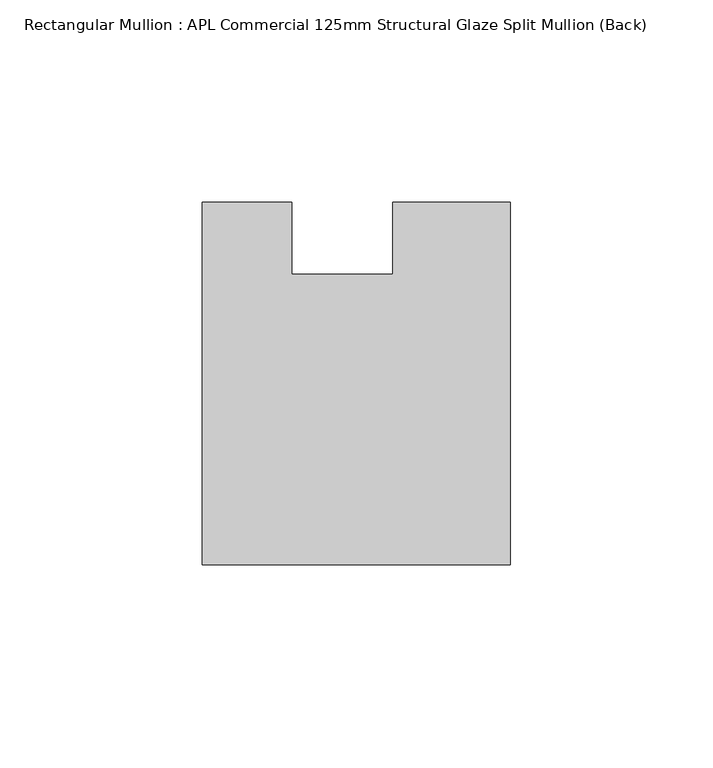
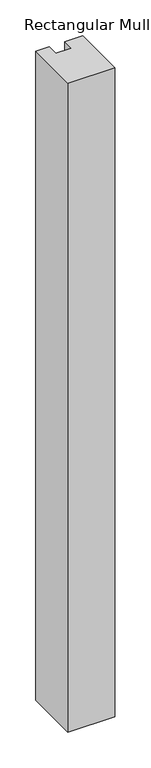
"""IFC4 building model written with IfcOpenShell, lengths in millimetres: member geometry, Rectangular Mullion : APL Commercial 125mm Structural Glaze Split Mullion (Back)."""

from ifc_helpers import new_model, si_unit, frame, origin, place, context, project, spatial, polyline, outline, extrude, source, transform, mapped, element, save


def rectangular_mullion_apl_commercial_125mm_structural_glaze_c721ee30(model_context):
    return source(origin(), model_context, "Body", "SweptSolid", [
        extrude(outline(polyline([(37.9999914, -104.4960123), (-37.9999896, -104.4960123), (-37.9999896, -14.9960123), (-16.0, -14.9960123), (-16.0, -32.7960123), (9.0, -32.7960123), (9.0, -14.9960123), (37.9999914, -14.9960123), (37.9999914, -104.4960123)])), frame((0.0, 0.0, -1107.4975005), z_axis=(0.0, 0.0, 1.0), x_axis=(1.0, 0.0, 0.0)), (0.0, 0.0, 1.0), 1107.4975005),
    ])


if __name__ == "__main__":
    model = new_model("IFC4")
    model_context = context("Model", 3, world=origin())
    ifc_project = project(units=[si_unit("LENGTHUNIT", "METRE", prefix="MILLI")], contexts=[model_context])
    site = spatial("IfcSite", under=ifc_project)
    building = spatial("IfcBuilding", under=site)
    placement = place(None, origin())
    rectangular_mullion_apl_commercial_125mm_structural_glaze_shape = rectangular_mullion_apl_commercial_125mm_structural_glaze_c721ee30(model_context)
    element("IfcMember", 1, ObjectType="Rectangular Mullion : APL Commercial 125mm Structural Glaze Split Mullion (Back)", at=placement, inside=building, context=model_context, shape_type="MappedRepresentation", body=[
        mapped(rectangular_mullion_apl_commercial_125mm_structural_glaze_shape, transform((0.0, 0.0, 0.0), x_axis=(1.0, 0.0, 0.0), y_axis=(0.0, 1.0, 0.0), z_axis=(0.0, 0.0, 1.0))),
    ])
    save(model, "model.ifc")
